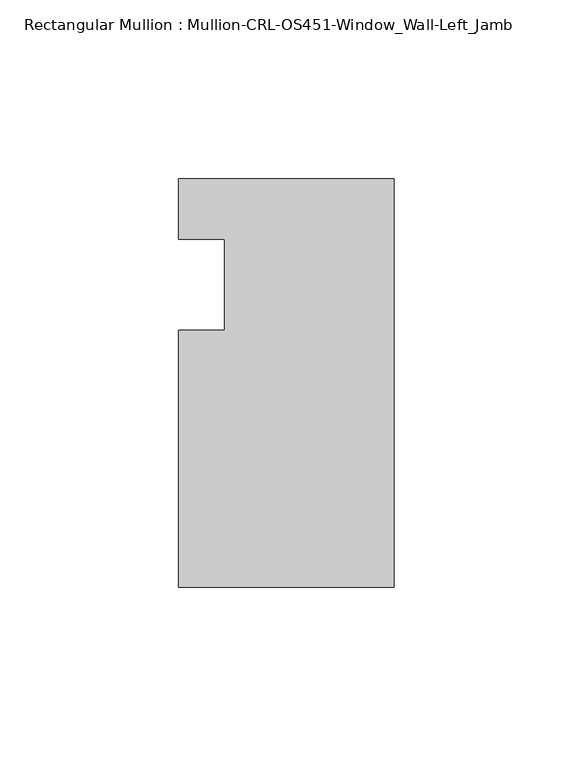
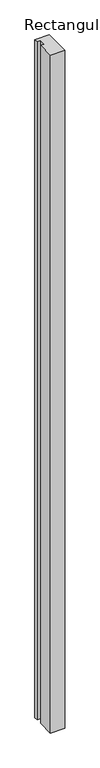
"""IFC4 building model written with IfcOpenShell, lengths in millimetres: member geometry, Rectangular Mullion : Mullion-CRL-OS451-Window_Wall-Left_Jamb."""

from ifc_helpers import new_model, si_unit, frame, origin, place, context, project, spatial, polyline, outline, extrude, source, transform, mapped, element, save


def rectangular_mullion_mullion_crl_os451_window_wall_left_jamb_7b38f663(model_context):
    return source(origin(), model_context, "Body", "SweptSolid", [
        extrude(outline(polyline([(-60.325, -12.7), (-47.5139203, -12.7), (-47.5139203, 12.7), (-60.325, 12.7), (-60.325, 29.6531114), (0.0, 29.6531114), (0.0, -84.6587463), (-60.325, -84.6587463), (-60.325, -12.7)])), frame((0.0, 0.0, -3048.0), z_axis=(0.0, 0.0, 1.0), x_axis=(1.0, 0.0, 0.0)), (0.0, 0.0, 1.0), 3048.0),
    ])


if __name__ == "__main__":
    model = new_model("IFC4")
    model_context = context("Model", 3, world=origin())
    ifc_project = project(units=[si_unit("LENGTHUNIT", "METRE", prefix="MILLI")], contexts=[model_context])
    site = spatial("IfcSite", under=ifc_project)
    building = spatial("IfcBuilding", under=site)
    placement = place(None, origin())
    rectangular_mullion_mullion_crl_os451_window_wall_left_jamb_shape = rectangular_mullion_mullion_crl_os451_window_wall_left_jamb_7b38f663(model_context)
    element("IfcMember", 1, ObjectType="Rectangular Mullion : Mullion-CRL-OS451-Window_Wall-Left_Jamb", at=placement, inside=building, context=model_context, shape_type="MappedRepresentation", body=[
        mapped(rectangular_mullion_mullion_crl_os451_window_wall_left_jamb_shape, transform((0.0, 0.0, 0.0), x_axis=(1.0, 0.0, 0.0), y_axis=(0.0, 1.0, 0.0), z_axis=(0.0, 0.0, 1.0))),
    ])
    save(model, "model.ifc")
